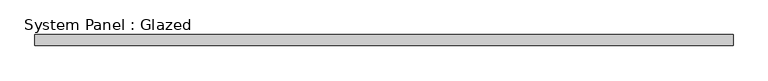
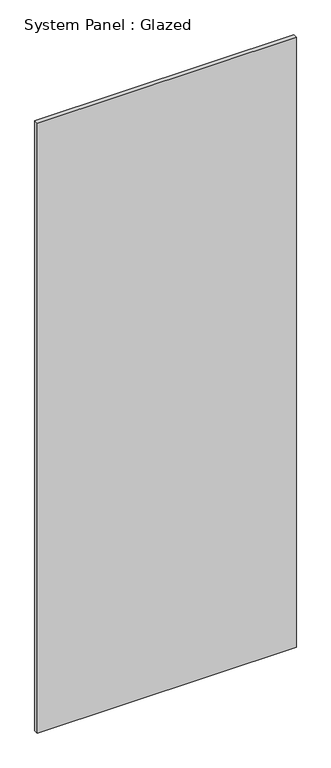
"""IFC4 building model written with IfcOpenShell, lengths in millimetres: plate geometry, System Panel : Glazed."""

from ifc_helpers import new_model, si_unit, origin, origin_with_axes, place, context, project, spatial, polyline, outline, extrude, source, transform, mapped, element, save


def system_panel_glazed_345b2ea3(model_context):
    return source(origin(), model_context, "Body", "SweptSolid", [
        extrude(outline(polyline([(794.0628487, 24.5), (-794.0628487, 24.5), (-794.0628487, 49.5), (794.0628487, 49.5), (794.0628487, 24.5)])), origin_with_axes(), (0.0, 0.0, 1.0), 3950.0),
    ])


if __name__ == "__main__":
    model = new_model("IFC4")
    model_context = context("Model", 3, world=origin())
    ifc_project = project(units=[si_unit("LENGTHUNIT", "METRE", prefix="MILLI")], contexts=[model_context])
    site = spatial("IfcSite", under=ifc_project)
    building = spatial("IfcBuilding", under=site)
    placement = place(None, origin())
    system_panel_glazed_shape = system_panel_glazed_345b2ea3(model_context)
    element("IfcPlate", 1, ObjectType="System Panel : Glazed", at=placement, inside=building, context=model_context, shape_type="MappedRepresentation", body=[
        mapped(system_panel_glazed_shape, transform((0.0, 0.0, 0.0), x_axis=(1.0, 0.0, 0.0), y_axis=(0.0, 1.0, 0.0), z_axis=(0.0, 0.0, 1.0))),
    ])
    save(model, "model.ifc")
